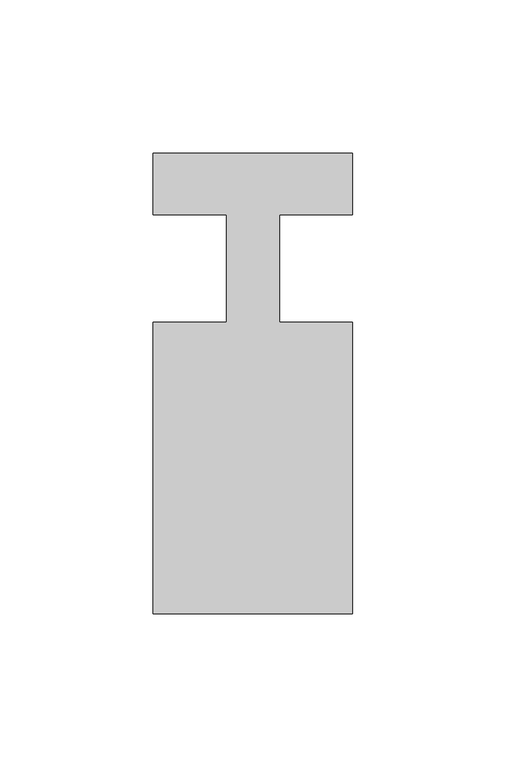
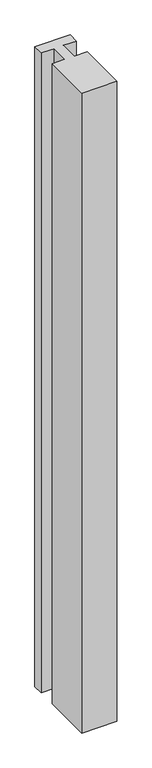
"""IFC4 building model written with IfcOpenShell, lengths in millimetres: member geometry."""

from ifc_helpers import new_model, si_unit, frame, origin, place, context, project, spatial, polyline, outline, extrude, source, transform, mapped, element, save


def member_46f8298b(model_context):
    return source(origin(), model_context, "Body", "SweptSolid", [
        extrude(outline(polyline([(-32.5, 37.0), (32.5, 37.0), (32.5, 17.0), (8.6875, 17.0), (8.6875, -18.0), (32.5, -18.0), (32.5, -113.0), (-32.5, -113.0), (-32.5, -18.0), (-8.6875, -18.0), (-8.6875, 17.0), (-32.5, 17.0), (-32.5, 37.0)])), frame((0.0, 0.0, -1250.0), z_axis=(0.0, 0.0, 1.0), x_axis=(1.0, 0.0, 0.0)), (0.0, 0.0, 1.0), 1250.0),
    ])


if __name__ == "__main__":
    model = new_model("IFC4")
    model_context = context("Model", 3, world=origin())
    ifc_project = project(units=[si_unit("LENGTHUNIT", "METRE", prefix="MILLI")], contexts=[model_context])
    site = spatial("IfcSite", under=ifc_project)
    building = spatial("IfcBuilding", under=site)
    placement = place(None, origin())
    member_shape = member_46f8298b(model_context)
    element("IfcMember", 1, at=placement, inside=building, context=model_context, shape_type="MappedRepresentation", body=[
        mapped(member_shape, transform((0.0, 0.0, 0.0), x_axis=(1.0, 0.0, 0.0), y_axis=(0.0, 1.0, 0.0), z_axis=(0.0, 0.0, 1.0))),
    ])
    save(model, "model.ifc")
